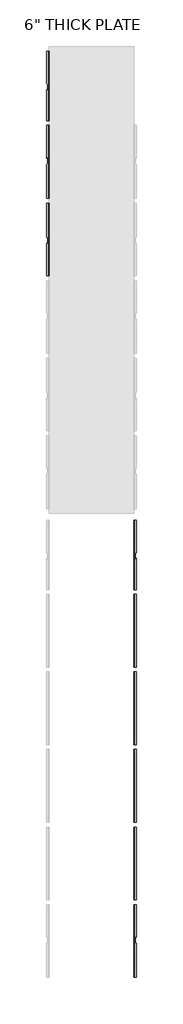
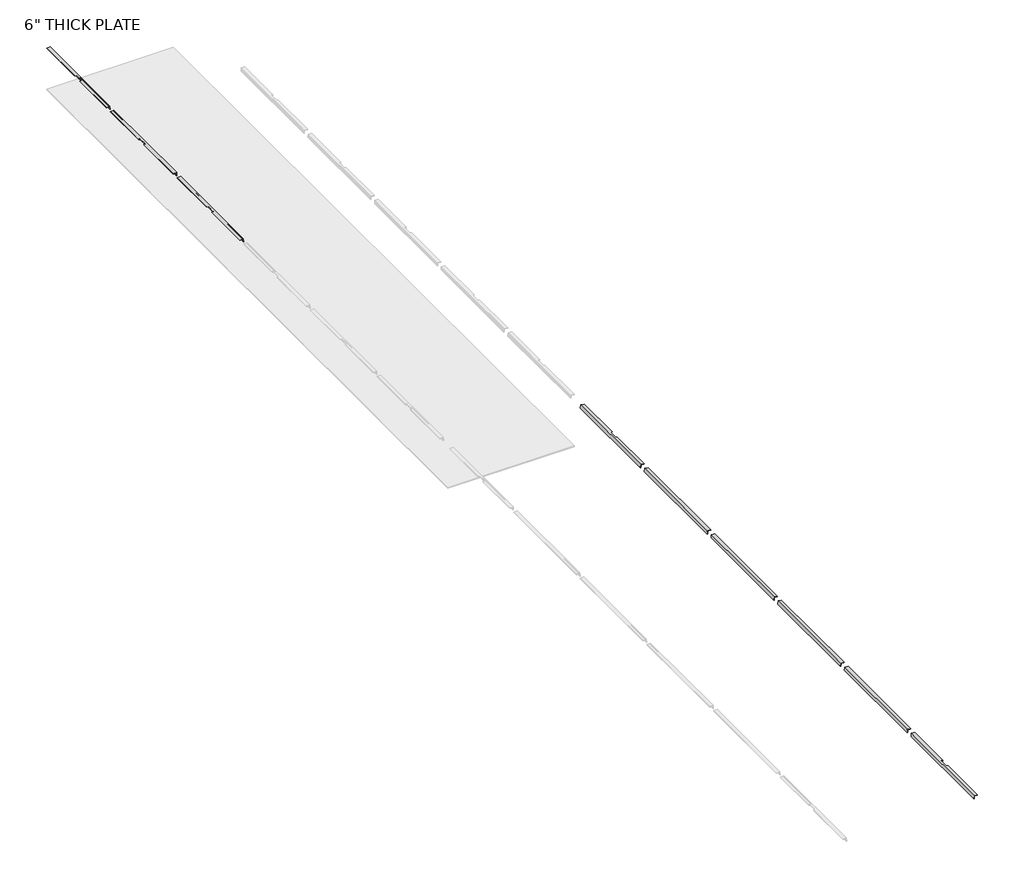
# One storey, part 2 of 3: 9 beams.
"""IFC4 building model written with IfcOpenShell, lengths in millimetres."""

import ifcopenshell
import ifcopenshell.guid

model = None  # the IFC model being written
_history = None  # IfcOwnerHistory: only IFC2X3 demands one
_inside = {}  # id of a spatial element -> (the spatial element, [elements in it])
_under = {}  # id of a project, library or spatial element -> (it, [spatial elements below it])
_declared = {}  # id of a project -> (the project, [libraries it declares])
_typed = {}  # id of a type object -> (the type object, [elements of that type])
_made_of = {}  # id of a material, layer set ... -> (it, [elements and type objects made of it])


def new_model(schema):
    """Start an empty IFC model of exactly this schema.

    Asked for "IFC4X3", IfcOpenShell would pick the latest addendum, in which some entities
    have other attributes; the version numbers below select the first issue.
    IFC2X3 requires an IfcOwnerHistory on every rooted entity: one is made here for all.
    """
    global model, _history
    if schema == "IFC4X3":
        model = ifcopenshell.file(schema_version=(4, 3, 0, 0))
    else:
        model = ifcopenshell.file(schema=schema)
    _inside.clear()
    _under.clear()
    _declared.clear()
    _typed.clear()
    _made_of.clear()
    _history = None
    if model.schema == "IFC2X3":
        org = make("IfcOrganization", Name="unknown")
        user = make(
            "IfcPersonAndOrganization",
            ThePerson=make("IfcPerson", FamilyName="unknown"),
            TheOrganization=org,
        )
        app = make(
            "IfcApplication",
            ApplicationDeveloper=org,
            Version="unknown",
            ApplicationFullName="unknown",
            ApplicationIdentifier="unknown",
        )
        _history = make(
            "IfcOwnerHistory",
            OwningUser=user,
            OwningApplication=app,
            ChangeAction="ADDED",
            CreationDate=0,
        )
    return model


def make(cls, **values):
    """One entity of the class cls with the attributes given. An attribute that is None is left unset."""
    return model.create_entity(
        cls, **{name: value for name, value in values.items() if value is not None}
    )


def rooted(cls, **values):
    """An entity with a GlobalId (a new one), such as an element, a storey or a relation."""
    return make(cls, GlobalId=ifcopenshell.guid.new(), OwnerHistory=_history, **values)


def si_unit(unit_type, name, prefix=None):
    """IfcSIUnit, for example si_unit("LENGTHUNIT", "METRE", prefix="MILLI")."""
    return make("IfcSIUnit", UnitType=unit_type, Prefix=prefix, Name=name)


def assignment(units):
    """IfcUnitAssignment: the units of a project."""
    return None if units is None else make("IfcUnitAssignment", Units=units)


def point(xyz):
    """IfcCartesianPoint."""
    return None if xyz is None else make("IfcCartesianPoint", Coordinates=xyz)


def direction(xyz):
    """IfcDirection."""
    return None if xyz is None else make("IfcDirection", DirectionRatios=xyz)


def frame(location, z_axis=None, x_axis=None):
    """IfcAxis2Placement3D, a coordinate frame: its origin and axes. An axis left out is left unset."""
    return make(
        "IfcAxis2Placement3D",
        Location=point(location),
        Axis=direction(z_axis),
        RefDirection=direction(x_axis),
    )


def frame_2d(location, x_axis=None):
    """IfcAxis2Placement2D, a coordinate frame in the plane: its origin and x axis."""
    return make(
        "IfcAxis2Placement2D", Location=point(location), RefDirection=direction(x_axis)
    )


def origin():
    """The frame at (0, 0, 0) with its axes left unset."""
    return frame((0.0, 0.0, 0.0))


def place(relative_to, where):
    """IfcLocalPlacement: puts the frame where relative to a parent placement (None: the world)."""
    return make(
        "IfcLocalPlacement", PlacementRelTo=relative_to, RelativePlacement=where
    )


def context(
    kind, dimensions, precision=None, world=None, true_north=None, identifier=None
):
    """IfcGeometricRepresentationContext, for example the 3D "Model" context."""
    return make(
        "IfcGeometricRepresentationContext",
        ContextIdentifier=identifier,
        ContextType=kind,
        CoordinateSpaceDimension=dimensions,
        Precision=precision,
        WorldCoordinateSystem=world,
        TrueNorth=true_north,
    )


def project(units=None, contexts=None):
    """IfcProject with its units and contexts."""
    return rooted(
        "IfcProject",
        Name="project",
        RepresentationContexts=contexts,
        UnitsInContext=assignment(units),
    )


def spatial(cls, under=None, at=None, **own):
    """A site, building, storey or space (cls), placed at a placement, below another one or the project."""
    s = rooted(cls, ObjectPlacement=at, **own)
    if under is not None:
        _under.setdefault(under.id(), (under, []))[1].append(s)
    return s


def polyline(points):
    """IfcPolyline through the points."""
    return make("IfcPolyline", Points=[point(p) for p in points])


def circle_curve(where, radius):
    """IfcCircle in the frame where."""
    return make("IfcCircle", Position=where, Radius=radius)


def ellipse_curve(where, semi_axis1, semi_axis2):
    """IfcEllipse in the frame where."""
    return make(
        "IfcEllipse", Position=where, SemiAxis1=semi_axis1, SemiAxis2=semi_axis2
    )


def trimmed(basis, trim1, trim2, sense, master):
    """IfcTrimmedCurve: the piece of a basis curve between two trims."""
    return make(
        "IfcTrimmedCurve",
        BasisCurve=basis,
        Trim1=trim1,
        Trim2=trim2,
        SenseAgreement=sense,
        MasterRepresentation=master,
    )


def segment(curve, same_sense, transition):
    """IfcCompositeCurveSegment."""
    return make(
        "IfcCompositeCurveSegment",
        Transition=transition,
        SameSense=same_sense,
        ParentCurve=curve,
    )


def composite_curve(segments, self_intersect=None):
    """IfcCompositeCurve: segments joined end to end."""
    return make("IfcCompositeCurve", Segments=segments, SelfIntersect=self_intersect)


def outline(outer, holes=None, kind="AREA"):
    """IfcArbitraryClosedProfileDef: a profile drawn as a closed curve; with holes, ...WithVoids."""
    if holes is None:
        return make("IfcArbitraryClosedProfileDef", ProfileType=kind, OuterCurve=outer)
    return make(
        "IfcArbitraryProfileDefWithVoids",
        ProfileType=kind,
        OuterCurve=outer,
        InnerCurves=holes,
    )


def extrude(swept, where, along, depth):
    """IfcExtrudedAreaSolid: the profile swept, set in the frame where, extruded along a direction by depth."""
    return make(
        "IfcExtrudedAreaSolid",
        SweptArea=swept,
        Position=where,
        ExtrudedDirection=direction(along),
        Depth=depth,
    )


def shape(context_of_items, identifier, shape_type, items):
    """IfcShapeRepresentation: the items that make up one representation, for example the "Body"."""
    return make(
        "IfcShapeRepresentation",
        ContextOfItems=context_of_items,
        RepresentationIdentifier=identifier,
        RepresentationType=shape_type,
        Items=items,
    )


def made_of(thing, what):
    """Note that an element or type object is made of a material, layer set ...; save() writes the relation."""
    if what is not None:
        _made_of.setdefault(what.id(), (what, []))[1].append(thing)
    return thing


def element(
    cls,
    number,
    at=None,
    inside=None,
    cuts=None,
    type_object=None,
    material=None,
    context=None,
    identifier="Body",
    shape_type=None,
    held_by="IfcProductDefinitionShape",
    body=None,
    shapes=None,
    **own,
):
    """One element of the class cls, such as IfcWall. Its Tag is "e" and its number.

    at: its placement. inside: the storey or other place that contains it. cuts: it is an
    opening in that element (IfcRelVoidsElement). A single representation is given by context,
    identifier, shape_type and body (its items); several are given by shapes. held_by: the class
    of the entity that holds the representations. save() writes the other relations.
    """
    e = rooted(cls, Tag="e%d" % number, ObjectPlacement=at, **own)
    if body is not None:
        shapes = [shape(context, identifier, shape_type, body)]
    if shapes is not None:
        e.Representation = make(held_by, Representations=shapes)
    if inside is not None:
        _inside.setdefault(inside.id(), (inside, []))[1].append(e)
    if cuts is not None:
        rooted(
            "IfcRelVoidsElement", RelatingBuildingElement=cuts, RelatedOpeningElement=e
        )
    if type_object is not None:
        _typed.setdefault(type_object.id(), (type_object, []))[1].append(e)
    return made_of(e, material)


def aggregate(whole, parts):
    """IfcRelAggregates: a whole, such as a stair, and the parts it consists of."""
    return rooted("IfcRelAggregates", RelatingObject=whole, RelatedObjects=parts)


def save(model, path):
    """Write the relations noted so far, then the file.

    IfcRelAggregates (storeys below a building ...), IfcRelContainedInSpatialStructure (elements
    in a storey), IfcRelDefinesByType, IfcRelAssociatesMaterial and IfcRelDeclares: one each for
    every whole, place, type object, material and project.
    """
    for whole, parts in _under.values():
        aggregate(whole, parts)
    for where, things in _inside.values():
        rooted(
            "IfcRelContainedInSpatialStructure",
            RelatedElements=things,
            RelatingStructure=where,
        )
    for kind, things in _typed.values():
        rooted("IfcRelDefinesByType", RelatedObjects=things, RelatingType=kind)
    for what, things in _made_of.values():
        rooted("IfcRelAssociatesMaterial", RelatedObjects=things, RelatingMaterial=what)
    for by, libraries in _declared.values():
        rooted("IfcRelDeclares", RelatingContext=by, RelatedDefinitions=libraries)
    model.write(path)


def plane_surface(at):
    """IfcPlane: the flat surface through the origin of the frame at, square to its z axis."""
    return make("IfcPlane", Position=at)


def cylinder_surface(at, radius):
    """IfcCylindricalSurface: all points at the distance radius from the z axis of the frame at."""
    return make("IfcCylindricalSurface", Position=at, Radius=radius)


def revolved_surface(curve, axis_point, axis_direction):
    """IfcSurfaceOfRevolution: the curve turned about the line through axis_point along axis_direction."""
    return make(
        "IfcSurfaceOfRevolution",
        SweptCurve=make("IfcArbitraryOpenProfileDef", ProfileType="CURVE", Curve=curve),
        AxisPosition=make("IfcAxis1Placement", Location=point(axis_point), Axis=direction(axis_direction)),
    )


def advanced_brep(points, edges, surfaces, faces):
    """IfcAdvancedBrep: a solid bounded by faces that lie on surfaces and meet in shared edges.

    An edge is (start, end): straight between two places in points (the first is 0);
    or (start, end, curve); or (start, end, curve, False) where it runs against its curve.
    A face is (place in surfaces, loops), or (place, loops, False) where it looks against
    its surface's normal. A loop lists edges by number (the first is 1), with a minus sign
    where the edge is run from its end to its start. The first loop is the outer one.
    """
    corners = [point(p) for p in points]
    vertices = [make("IfcVertexPoint", VertexGeometry=c) for c in corners]
    made = []
    for start, end, *more in edges:
        made.append(
            make(
                "IfcEdgeCurve",
                EdgeStart=vertices[start],
                EdgeEnd=vertices[end],
                EdgeGeometry=more[0] if more else make("IfcPolyline", Points=[corners[start], corners[end]]),
                SameSense=more[1] if len(more) > 1 else True,
            )
        )
    hull = []
    for where, loops, *sense in faces:
        bounds = []
        for j, loop in enumerate(loops):
            ring = [make("IfcOrientedEdge", EdgeElement=made[abs(k) - 1], Orientation=k > 0) for k in loop]
            bounds.append(
                make(
                    "IfcFaceOuterBound" if j == 0 else "IfcFaceBound",
                    Bound=make("IfcEdgeLoop", EdgeList=ring),
                    Orientation=True,
                )
            )
        hull.append(make("IfcAdvancedFace", Bounds=bounds, FaceSurface=surfaces[where], SameSense=sense[0] if sense else True))
    return make("IfcAdvancedBrep", Outer=make("IfcClosedShell", CfsFaces=hull))


model = new_model("IFC4")

# Units and contexts
model_context = context("Model", 3, world=origin())
ifc_project = project(units=[si_unit("LENGTHUNIT", "METRE", prefix="MILLI")], contexts=[model_context])

# Site, building, storey
site = spatial("IfcSite", under=ifc_project)
building = spatial("IfcBuilding", under=site)
storey = spatial("IfcBuildingStorey", under=building, Name="6\" THICK PLATE", Elevation=15389.0)

# Beams
placement = place(None, origin())
element("IfcBeam", 1, ObjectType="RSA-Rectangular Steel Angle : 50x50x6+RSA", at=placement, inside=storey, context=model_context, shape_type="AdvancedBrep", body=[
    advanced_brep(
    [(-922.6577871, 19172.4479556, 16113.6459647), (-972.467522, 19172.4479556, 16109.2881776), (-972.3193573, 19172.4479556, 16107.5946466), (-967.1192752, 19172.4479556, 16103.2312596), (-939.524682, 19172.4479556, 16105.6454737), (-927.6078272, 19172.4479556, 16095.6460452), (-925.1936131, 19172.4479556, 16068.051452), (-919.993531, 19172.4479556, 16063.688065), (-918.3, 19172.4479556, 16063.8362298), (-922.6577871, 20672.4479556, 16113.6459647), (-918.3, 20672.4479556, 16063.8362298), (-919.993531, 20672.4479556, 16063.688065), (-925.1936131, 20672.4479556, 16068.051452), (-927.6078272, 20672.4479556, 16095.6460452), (-939.524682, 20672.4479556, 16105.6454737), (-967.1192752, 20672.4479556, 16103.2312596), (-972.3193573, 20672.4479556, 16107.5946466), (-972.467522, 20672.4479556, 16109.2881776), (-967.1192752, 19846.7431512, 16103.2312596), (-960.0, 19846.0856679, 16103.8541155), (-950.0, 19859.7027064, 16104.7290021), (-950.0, 19961.4866557, 16104.7290021), (-960.0, 19976.9507456, 16103.8541155), (-967.1192752, 19977.6082289, 16103.2312596), (-972.3193573, 19973.0022609, 16107.5946466), (-972.467522, 19840.349501, 16109.2881776), (-972.3193573, 19842.1371832, 16107.5946466), (-972.467522, 19971.2145787, 16109.2881776), (-960.0, 19970.063171, 16110.3789444), (-950.0, 19954.5990812, 16111.2538311), (-950.0, 19852.8151319, 16111.2538311), (-960.0, 19839.1980933, 16110.3789444)],
    [
        (0, 1),
        (1, 2),
        (2, 3, circle_curve(frame((-967.5376227, 19172.4479556, 16108.0129942), z_axis=(0.0, -1.0, 0.0), x_axis=(0.08715574274765342, 0.0, -0.996194698091746)), 4.8)),
        (3, 4),
        (4, 5, circle_curve(frame((-938.5659689, 19172.4479556, 16094.687332), z_axis=(0.0, 1.0, 0.0), x_axis=(0.08715574274765342, 0.0, -0.996194698091746)), 11.0)),
        (5, 6),
        (6, 7, circle_curve(frame((-920.4118786, 19172.4479556, 16068.4697996), z_axis=(0.0, -1.0, 0.0), x_axis=(0.08715574274765342, 0.0, -0.996194698091746)), 4.8)),
        (7, 8),
        (8, 0),
        (9, 10),
        (10, 11),
        (11, 12, circle_curve(frame((-920.4118786, 20672.4479556, 16068.4697996), z_axis=(0.0, 1.0, 0.0), x_axis=(0.08715574274765342, 0.0, -0.996194698091746)), 4.8)),
        (12, 13),
        (13, 14, circle_curve(frame((-938.5659689, 20672.4479556, 16094.687332), z_axis=(0.0, -1.0, 0.0), x_axis=(0.08715574274765342, 0.0, -0.996194698091746)), 11.0)),
        (14, 15),
        (15, 16, circle_curve(frame((-967.5376227, 20672.4479556, 16108.0129942), z_axis=(0.0, 1.0, 0.0), x_axis=(0.08715574274765342, 0.0, -0.996194698091746)), 4.8)),
        (16, 17),
        (17, 9),
        (8, 10),
        (9, 0),
        (7, 11),
        (6, 12),
        (5, 13),
        (4, 14),
        (3, 18),
        (18, 19),
        (19, 20, ellipse_curve(frame((-960.0, 19860.6262321, 16103.8541155), z_axis=(-0.08715574274765342, 0.0, 0.996194698091746), x_axis=(-0.08197242224764964, 0.9966087945212705, -0.007171657668428947)), 14.5961068, 10.0)),
        (20, 21),
        (21, 22, ellipse_curve(frame((-960.0, 19962.4101814, 16103.8541155), z_axis=(-0.08715574274765342, 0.0, 0.996194698091746), x_axis=(-0.08197242224764964, 0.9966087945212705, -0.007171657668428947)), 14.5961068, 10.0)),
        (22, 23),
        (23, 15),
        (23, 24, ellipse_curve(frame((-967.5376227, 19972.5606555, 16108.0129942), z_axis=(0.0, 0.6877312236154661, 0.7259654014237689), x_axis=(0.0, -0.7259654014237688, 0.6877312236154662)), 6.9794708, 4.8)),
        (24, 16),
        (1, 25),
        (25, 26),
        (26, 2),
        (17, 27),
        (27, 28),
        (28, 29, ellipse_curve(frame((-960.0, 19955.5226068, 16110.3789444), z_axis=(0.08715574274765342, 0.0, -0.996194698091746), x_axis=(-0.08197242224764964, 0.9966087945212705, -0.007171657668428947)), 14.5961068, 10.0)),
        (29, 30),
        (30, 31, ellipse_curve(frame((-960.0, 19853.7386575, 16110.3789444), z_axis=(0.08715574274765342, 0.0, -0.996194698091746), x_axis=(-0.08197242224764964, 0.9966087945212705, -0.007171657668428947)), 14.5961068, 10.0)),
        (31, 25),
        (26, 18, ellipse_curve(frame((-967.5376227, 19841.6955778, 16108.0129942), z_axis=(0.0, -0.6877312236154661, -0.7259654014237689), x_axis=(0.0, -0.7259654014237688, 0.6877312236154662)), 6.9794708, 4.8)),
        (24, 27),
        (28, 22),
        (21, 29),
        (20, 30),
        (19, 31),
    ],
    [
        plane_surface(frame((-935.5661403, 19172.4479556, 16098.2623885), z_axis=(0.0, -1.0, 0.0), x_axis=(0.996194698091746, 0.0, 0.08715574274765342))),
        plane_surface(frame((-935.5661403, 20672.4479556, 16098.2623885), z_axis=(0.0, 1.0, 0.0), x_axis=(0.996194698091746, 0.0, 0.08715574274765342))),
        plane_surface(frame((-922.6577871, 19172.4479556, 16113.6459647), z_axis=(0.996194698091746, 0.0, 0.08715574274765342), x_axis=(0.0, 1.0, 0.0))),
        plane_surface(frame((-918.3, 19172.4479556, 16063.8362298), z_axis=(0.08715574274765342, 0.0, -0.996194698091746), x_axis=(0.0, 1.0, 0.0))),
        cylinder_surface(frame((-920.4118786, 19172.4479556, 16068.4697996), z_axis=(0.0, -1.0, 0.0), x_axis=(0.08715574274765342, 0.0, -0.996194698091746)), 4.8),
        plane_surface(frame((-925.1936131, 19172.4479556, 16068.051452), z_axis=(-0.996194698091746, 0.0, -0.08715574274765342), x_axis=(0.0, 1.0, 0.0))),
        revolved_surface(polyline([(-937.6072557297758, 20672.4479556, 16083.72919032099), (-937.6072557297758, 19172.4479556, 16083.72919032099)]), (-938.5659689, 19172.4479556, 16094.687332), (0.0, 1.0, 0.0)),
        plane_surface(frame((-939.524682, 19172.4479556, 16105.6454737), z_axis=(0.08715574274765342, 0.0, -0.996194698091746), x_axis=(0.0, 1.0, 0.0))),
        cylinder_surface(frame((-967.5376227, 19172.4479556, 16108.0129942), z_axis=(0.0, -1.0, 0.0), x_axis=(0.08715574274765342, 0.0, -0.996194698091746)), 4.8),
        plane_surface(frame((-972.3193573, 19172.4479556, 16107.5946466), z_axis=(-0.996194698091746, 0.0, -0.08715574274765342), x_axis=(0.0, 1.0, 0.0))),
        plane_surface(frame((-972.467522, 19172.4479556, 16109.2881776), z_axis=(-0.08715574274765342, 0.0, 0.996194698091746), x_axis=(0.0, 1.0, 0.0))),
        revolved_surface(polyline([(-950.0, 19970.128881402903, 16096.541933629984), (-950.0, 19947.803906782054, 16117.691126254134)]), (-960.0, 19946.5185485, 16118.908789), (0.0, 0.7259654014237689, -0.687731223615466)),
        plane_surface(frame((-950.0, 20805.1986696, 15305.4524876), z_axis=(-1.0, 0.0, 0.0), x_axis=(0.0, -0.7259654014237689, 0.6877312236154661))),
        revolved_surface(polyline([(-950.0, 19868.344932128068, 16096.541933656546), (-950.0, 19846.019957507215, 16117.6911262807)]), (-960.0, 19898.3773628, 16068.091211), (0.0, 0.7259654014237689, -0.687731223615466)),
        plane_surface(frame((-960.0, 20750.1801717, 15247.3752555), z_axis=(0.0, 0.6877312236154661, 0.7259654014237689), x_axis=(0.0, -0.7259654014237689, 0.6877312236154661))),
        plane_surface(frame((-990.0, 20812.0759818, 15312.7121417), z_axis=(0.0, -0.6877312236154661, -0.7259654014237689), x_axis=(0.0, -0.7259654014237689, 0.6877312236154661))),
    ],
    [
        (0, [[1, 2, 3, 4, 5, 6, 7, 8, 9]]),
        (1, [[10, 11, 12, 13, 14, 15, 16, 17, 18]]),
        (2, [[-9, 19, -10, 20]]),
        (3, [[-8, 21, -11, -19]]),
        (4, [[-7, 22, -12, -21]]),
        (5, [[-6, 23, -13, -22]]),
        (6, [[-5, 24, -14, -23]]),
        (7, [[-4, 25, 26, 27, 28, 29, 30, 31, -15, -24]]),
        (8, [[-16, -31, 32, 33]]),
        (9, [[-2, 34, 35, 36]]),
        (10, [[-1, -20, -18, 37, 38, 39, 40, 41, 42, -34]]),
        (8, [[-3, -36, 43, -25]]),
        (9, [[-17, -33, 44, -37]]),
        (11, [[45, -29, 46, -39]]),
        (12, [[-46, -28, 47, -40]]),
        (13, [[-47, -27, 48, -41]]),
        (14, [[-48, -26, -43, -35, -42]]),
        (15, [[-45, -38, -44, -32, -30]]),
    ],
),
])
element("IfcBeam", 2, ObjectType="RSA-Rectangular Steel Angle : 50x50x6+RSA", at=placement, inside=storey, context=model_context, shape_type="AdvancedBrep", body=[
    advanced_brep(
    [(-972.467522, 19072.4479556, 16109.2881776), (-922.6577871, 19072.4479556, 16113.6459647), (-918.3, 19072.4479556, 16063.8362298), (-919.993531, 19072.4479556, 16063.688065), (-925.1936131, 19072.4479556, 16068.051452), (-927.6078272, 19072.4479556, 16095.6460452), (-939.524682, 19072.4479556, 16105.6454737), (-967.1192752, 19072.4479556, 16103.2312596), (-972.3193573, 19072.4479556, 16107.5946466), (-918.3, 17502.4479556, 16063.8362298), (-922.6577871, 17502.4479556, 16113.6459647), (-972.467522, 17502.4479556, 16109.2881776), (-972.3193573, 17502.4479556, 16107.5946466), (-967.1192752, 17502.4479556, 16103.2312596), (-939.524682, 17502.4479556, 16105.6454737), (-927.6078272, 17502.4479556, 16095.6460452), (-925.1936131, 17502.4479556, 16068.051452), (-919.993531, 17502.4479556, 16063.688065), (-967.1192752, 18231.1404403, 16103.2312596), (-960.0, 18231.8286062, 16103.8541155), (-950.0, 18247.6972638, 16104.7290021), (-950.0, 18352.0115023, 16104.7290021), (-960.0, 18365.9469128, 16103.8541155), (-967.1192752, 18365.258747, 16103.2312596), (-972.3193573, 18370.0796601, 16107.5946466), (-972.467522, 18371.9507675, 16109.2881776), (-960.0, 18373.1559075, 16110.3789444), (-950.0, 18359.220497, 16111.2538311), (-950.0, 18254.9062584, 16111.2538311), (-960.0, 18239.0376008, 16110.3789444), (-972.467522, 18237.8324608, 16109.2881776), (-972.3193573, 18235.9613534, 16107.5946466)],
    [
        (0, 1),
        (1, 2),
        (2, 3),
        (3, 4, circle_curve(frame((-920.4118786, 19072.4479556, 16068.4697996), z_axis=(0.0, 1.0, 0.0), x_axis=(0.08715574274765342, 0.0, -0.996194698091746)), 4.8)),
        (4, 5),
        (5, 6, circle_curve(frame((-938.5659689, 19072.4479556, 16094.687332), z_axis=(0.0, -1.0, 0.0), x_axis=(0.08715574274765342, 0.0, -0.996194698091746)), 11.0)),
        (6, 7),
        (7, 8, circle_curve(frame((-967.5376227, 19072.4479556, 16108.0129942), z_axis=(0.0, 1.0, 0.0), x_axis=(0.08715574274765342, 0.0, -0.996194698091746)), 4.8)),
        (8, 0),
        (9, 10),
        (10, 11),
        (11, 12),
        (12, 13, circle_curve(frame((-967.5376227, 17502.4479556, 16108.0129942), z_axis=(0.0, -1.0, 0.0), x_axis=(0.08715574274765342, 0.0, -0.996194698091746)), 4.8)),
        (13, 14),
        (14, 15, circle_curve(frame((-938.5659689, 17502.4479556, 16094.687332), z_axis=(0.0, 1.0, 0.0), x_axis=(0.08715574274765342, 0.0, -0.996194698091746)), 11.0)),
        (15, 16),
        (16, 17, circle_curve(frame((-920.4118786, 17502.4479556, 16068.4697996), z_axis=(0.0, -1.0, 0.0), x_axis=(0.08715574274765342, 0.0, -0.996194698091746)), 4.8)),
        (17, 9),
        (1, 10),
        (9, 2),
        (17, 3),
        (16, 4),
        (15, 5),
        (14, 6),
        (13, 18),
        (18, 19),
        (19, 20, ellipse_curve(frame((-960.0, 18246.7306402, 16103.8541155), z_axis=(-0.08715574274765342, 0.0, 0.996194698091746), x_axis=(-0.07834072715653213, -0.9969030816351065, -0.006853925518573427)), 14.9589574, 10.0)),
        (20, 21),
        (21, 22, ellipse_curve(frame((-960.0, 18351.0448788, 16103.8541155), z_axis=(-0.08715574274765342, 0.0, 0.996194698091746), x_axis=(-0.07834072715653213, -0.9969030816351065, -0.006853925518573427)), 14.9589574, 10.0)),
        (22, 23),
        (23, 7),
        (23, 24, ellipse_curve(frame((-967.5376227, 18370.5418738, 16108.0129942), z_axis=(-2.47063469377615e-12, 0.6710493311825084, -0.7414127022917183), x_axis=(2.238276867017849e-12, 0.7414127022917183, 0.6710493311825084)), 7.1529764, 4.8)),
        (24, 8),
        (24, 25),
        (25, 0),
        (25, 26),
        (26, 27, ellipse_curve(frame((-960.0, 18358.2538734, 16110.3789444), z_axis=(0.08715574274765342, 0.0, -0.996194698091746), x_axis=(-0.07834072715653213, -0.9969030816351065, -0.006853925518573427)), 14.9589574, 10.0)),
        (27, 28),
        (28, 29, ellipse_curve(frame((-960.0, 18253.9396349, 16110.3789444), z_axis=(0.08715574274765342, 0.0, -0.996194698091746), x_axis=(-0.07834072715653213, -0.9969030816351065, -0.006853925518573427)), 14.9589574, 10.0)),
        (29, 30),
        (30, 11),
        (22, 26),
        (21, 27),
        (20, 28),
        (19, 29),
        (18, 31, ellipse_curve(frame((-967.5376227, 18236.4235671, 16108.0129942), z_axis=(-2.6210457584624914e-12, 0.6710493311825084, -0.7414127022917183), x_axis=(2.374413251042876e-12, 0.7414127022917183, 0.6710493311825084)), 7.1529764, 4.8)),
        (31, 30),
        (12, 31),
    ],
    [
        plane_surface(frame((-935.5661403, 19072.4479556, 16098.2623885), z_axis=(0.0, 1.0, 0.0), x_axis=(0.996194698091746, 0.0, 0.08715574274765342))),
        plane_surface(frame((-935.5661403, 17502.4479556, 16098.2623885), z_axis=(0.0, -1.0, 0.0), x_axis=(0.996194698091746, 0.0, 0.08715574274765342))),
        plane_surface(frame((-922.6577871, 19072.4479556, 16113.6459647), z_axis=(0.996194698091746, 0.0, 0.08715574274765342), x_axis=(0.0, -1.0, 0.0))),
        plane_surface(frame((-918.3, 19072.4479556, 16063.8362298), z_axis=(0.08715574274765342, 0.0, -0.996194698091746), x_axis=(0.0, -1.0, 0.0))),
        cylinder_surface(frame((-920.4118786, 19072.4479556, 16068.4697996), z_axis=(0.0, 1.0, 0.0), x_axis=(0.08715574274765342, 0.0, -0.996194698091746)), 4.8),
        plane_surface(frame((-925.1936131, 19072.4479556, 16068.051452), z_axis=(-0.996194698091746, 0.0, -0.08715574274765342), x_axis=(0.0, -1.0, 0.0))),
        revolved_surface(polyline([(-937.6072557297758, 17502.4479556, 16083.72919032099), (-937.6072557297758, 19072.4479556, 16083.72919032099)]), (-938.5659689, 19072.4479556, 16094.687332), (0.0, -1.0, 0.0)),
        plane_surface(frame((-939.524682, 19072.4479556, 16105.6454737), z_axis=(0.08715574274765342, 0.0, -0.996194698091746), x_axis=(0.0, -1.0, 0.0))),
        cylinder_surface(frame((-967.5376227, 19072.4479556, 16108.0129942), z_axis=(0.0, 1.0, 0.0), x_axis=(0.08715574274765342, 0.0, -0.996194698091746)), 4.8),
        plane_surface(frame((-972.3193573, 19072.4479556, 16107.5946466), z_axis=(-0.996194698091746, 0.0, -0.08715574274765342), x_axis=(0.0, -1.0, 0.0))),
        plane_surface(frame((-972.467522, 19072.4479556, 16109.2881776), z_axis=(-0.08715574274765342, 0.0, 0.996194698091746), x_axis=(0.0, -1.0, 0.0))),
        plane_surface(frame((-990.0, 17418.8933154, 15246.680127), z_axis=(2.47063469377615e-12, -0.6710493311825084, 0.7414127022917183), x_axis=(-2.797244772204705e-12, 0.7414127022917183, 0.6710493311825084))),
        revolved_surface(polyline([(-970.0000000001202, 18342.796503144975, 16096.388547478253), (-970.0000000002096, 18366.50224906231, 16117.844512413623)]), (-960.0, 18310.9346822, 16067.5505554), (2.7971957972745488e-12, -0.7414127022917183, -0.6710493311825081)),
        plane_surface(frame((-950.0, 17412.1828221, 15254.094254), z_axis=(-1.0, -3.773771759757499e-12, 0.0), x_axis=(-2.797244772204705e-12, 0.7414127022917183, 0.6710493311825084))),
        revolved_surface(polyline([(-969.9999999999038, 18238.48226454795, 16096.388547474962), (-969.9999999999933, 18262.188010520254, 16117.844512460086)]), (-960.0, 18263.961229, 16119.4494446), (2.7971957972745488e-12, -0.7414127022917183, -0.6710493311825081)),
        plane_surface(frame((-960.0, 17358.4988756, 15313.4072702), z_axis=(-2.6210457584624914e-12, 0.6710493311825084, -0.7414127022917183), x_axis=(-2.797244772204705e-12, 0.7414127022917183, 0.6710493311825084))),
    ],
    [
        (0, [[1, 2, 3, 4, 5, 6, 7, 8, 9]]),
        (1, [[10, 11, 12, 13, 14, 15, 16, 17, 18]]),
        (2, [[-2, 19, -10, 20]]),
        (3, [[-3, -20, -18, 21]]),
        (4, [[-4, -21, -17, 22]]),
        (5, [[-5, -22, -16, 23]]),
        (6, [[-6, -23, -15, 24]]),
        (7, [[-7, -24, -14, 25, 26, 27, 28, 29, 30, 31]]),
        (8, [[-8, -31, 32, 33]]),
        (9, [[-9, -33, 34, 35]]),
        (10, [[-1, -35, 36, 37, 38, 39, 40, 41, -11, -19]]),
        (11, [[42, -36, -34, -32, -30]]),
        (12, [[-42, -29, 43, -37]]),
        (13, [[-43, -28, 44, -38]]),
        (14, [[-44, -27, 45, -39]]),
        (15, [[-45, -26, 46, 47, -40]]),
        (8, [[-13, 48, -46, -25]]),
        (9, [[-12, -41, -47, -48]]),
    ],
),
])
element("IfcBeam", 3, ObjectType="RSA-Rectangular Steel Angle : 50x50x6+RSA", at=placement, inside=storey, context=model_context, shape_type="AdvancedBrep", body=[
    advanced_brep(
    [(-922.6577871, 15832.4479556, 16113.6459647), (-972.467522, 15832.4479556, 16109.2881776), (-972.3193573, 15832.4479556, 16107.5946466), (-967.1192752, 15832.4479556, 16103.2312596), (-939.524682, 15832.4479556, 16105.6454737), (-927.6078272, 15832.4479556, 16095.6460452), (-925.1936131, 15832.4479556, 16068.051452), (-919.993531, 15832.4479556, 16063.688065), (-918.3, 15832.4479556, 16063.8362298), (-922.6577871, 17402.4479556, 16113.6459647), (-918.3, 17402.4479556, 16063.8362298), (-919.993531, 17402.4479556, 16063.688065), (-925.1936131, 17402.4479556, 16068.051452), (-927.6078272, 17402.4479556, 16095.6460452), (-939.524682, 17402.4479556, 16105.6454737), (-967.1192752, 17402.4479556, 16103.2312596), (-972.3193573, 17402.4479556, 16107.5946466), (-972.467522, 17402.4479556, 16109.2881776), (-967.1192752, 16539.6371643, 16103.2312596), (-960.0, 16538.9489984, 16103.8541155), (-950.0, 16552.884409, 16104.7290021), (-950.0, 16657.1986475, 16104.7290021), (-960.0, 16673.0673051, 16103.8541155), (-967.1192752, 16673.755471, 16103.2312596), (-972.3193573, 16668.9345579, 16107.5946466), (-972.467522, 16532.9451437, 16109.2881776), (-972.3193573, 16534.8162512, 16107.5946466), (-972.467522, 16667.0634504, 16109.2881776), (-960.0, 16665.8583104, 16110.3789444), (-950.0, 16649.9896528, 16111.2538311), (-950.0, 16545.6754143, 16111.2538311), (-960.0, 16531.7400037, 16110.3789444)],
    [
        (0, 1),
        (1, 2),
        (2, 3, circle_curve(frame((-967.5376227, 15832.4479556, 16108.0129942), z_axis=(0.0, -1.0, 0.0), x_axis=(0.08715574274765342, 0.0, -0.996194698091746)), 4.8)),
        (3, 4),
        (4, 5, circle_curve(frame((-938.5659689, 15832.4479556, 16094.687332), z_axis=(0.0, 1.0, 0.0), x_axis=(0.08715574274765342, 0.0, -0.996194698091746)), 11.0)),
        (5, 6),
        (6, 7, circle_curve(frame((-920.4118786, 15832.4479556, 16068.4697996), z_axis=(0.0, -1.0, 0.0), x_axis=(0.08715574274765342, 0.0, -0.996194698091746)), 4.8)),
        (7, 8),
        (8, 0),
        (9, 10),
        (10, 11),
        (11, 12, circle_curve(frame((-920.4118786, 17402.4479556, 16068.4697996), z_axis=(0.0, 1.0, 0.0), x_axis=(0.08715574274765342, 0.0, -0.996194698091746)), 4.8)),
        (12, 13),
        (13, 14, circle_curve(frame((-938.5659689, 17402.4479556, 16094.687332), z_axis=(0.0, -1.0, 0.0), x_axis=(0.08715574274765342, 0.0, -0.996194698091746)), 11.0)),
        (14, 15),
        (15, 16, circle_curve(frame((-967.5376227, 17402.4479556, 16108.0129942), z_axis=(0.0, 1.0, 0.0), x_axis=(0.08715574274765342, 0.0, -0.996194698091746)), 4.8)),
        (16, 17),
        (17, 9),
        (8, 10),
        (9, 0),
        (7, 11),
        (6, 12),
        (5, 13),
        (4, 14),
        (3, 18),
        (18, 19),
        (19, 20, ellipse_curve(frame((-960.0, 16553.8510325, 16103.8541155), z_axis=(-0.08715574274765342, 0.0, 0.996194698091746), x_axis=(-0.07834072715653213, 0.9969030816351065, -0.006853925518573427)), 14.9589574, 10.0)),
        (20, 21),
        (21, 22, ellipse_curve(frame((-960.0, 16658.165271, 16103.8541155), z_axis=(-0.08715574274765342, 0.0, 0.996194698091746), x_axis=(-0.07834072715653213, 0.9969030816351065, -0.006853925518573427)), 14.9589574, 10.0)),
        (22, 23),
        (23, 15),
        (23, 24, ellipse_curve(frame((-967.5376227, 16668.4723442, 16108.0129942), z_axis=(2.417111264138364e-12, 0.671049331182508, 0.7414127022917187), x_axis=(2.189833049492181e-12, -0.7414127022917187, 0.671049331182508)), 7.1529764, 4.8)),
        (24, 16),
        (1, 25),
        (25, 26),
        (26, 2),
        (17, 27),
        (27, 28),
        (28, 29, ellipse_curve(frame((-960.0, 16650.9562764, 16110.3789444), z_axis=(0.08715574274765342, 0.0, -0.996194698091746), x_axis=(-0.07834072715653213, 0.9969030816351065, -0.006853925518573427)), 14.9589574, 10.0)),
        (29, 30),
        (30, 31, ellipse_curve(frame((-960.0, 16546.6420378, 16110.3789444), z_axis=(0.08715574274765342, 0.0, -0.996194698091746), x_axis=(-0.07834072715653213, 0.9969030816351065, -0.006853925518573427)), 14.9589574, 10.0)),
        (31, 25),
        (28, 22),
        (21, 29),
        (20, 30),
        (19, 31),
        (18, 26, ellipse_curve(frame((-967.5376227, 16534.3540375, 16108.0129942), z_axis=(2.5675223288261947e-12, 0.671049331182508, 0.7414127022917187), x_axis=(2.3259694335185557e-12, -0.7414127022917187, 0.671049331182508)), 7.1529764, 4.8)),
        (27, 24),
    ],
    [
        plane_surface(frame((-935.5661403, 15832.4479556, 16098.2623885), z_axis=(0.0, -1.0, 0.0), x_axis=(0.996194698091746, 0.0, 0.08715574274765342))),
        plane_surface(frame((-935.5661403, 17402.4479556, 16098.2623885), z_axis=(0.0, 1.0, 0.0), x_axis=(0.996194698091746, 0.0, 0.08715574274765342))),
        plane_surface(frame((-922.6577871, 15832.4479556, 16113.6459647), z_axis=(0.996194698091746, 0.0, 0.08715574274765342), x_axis=(0.0, 1.0, 0.0))),
        plane_surface(frame((-918.3, 15832.4479556, 16063.8362298), z_axis=(0.08715574274765342, 0.0, -0.996194698091746), x_axis=(0.0, 1.0, 0.0))),
        cylinder_surface(frame((-920.4118786, 15832.4479556, 16068.4697996), z_axis=(0.0, -1.0, 0.0), x_axis=(0.08715574274765342, 0.0, -0.996194698091746)), 4.8),
        plane_surface(frame((-925.1936131, 15832.4479556, 16068.051452), z_axis=(-0.996194698091746, 0.0, -0.08715574274765342), x_axis=(0.0, 1.0, 0.0))),
        revolved_surface(polyline([(-937.6072557297758, 17402.4479556, 16083.72919032099), (-937.6072557297758, 15832.4479556, 16083.72919032099)]), (-938.5659689, 15832.4479556, 16094.687332), (0.0, 1.0, 0.0)),
        plane_surface(frame((-939.524682, 15832.4479556, 16105.6454737), z_axis=(0.08715574274765342, 0.0, -0.996194698091746), x_axis=(0.0, 1.0, 0.0))),
        cylinder_surface(frame((-967.5376227, 15832.4479556, 16108.0129942), z_axis=(0.0, -1.0, 0.0), x_axis=(0.08715574274765342, 0.0, -0.996194698091746)), 4.8),
        plane_surface(frame((-972.3193573, 15832.4479556, 16107.5946466), z_axis=(-0.996194698091746, 0.0, -0.08715574274765342), x_axis=(0.0, 1.0, 0.0))),
        plane_surface(frame((-972.467522, 15832.4479556, 16109.2881776), z_axis=(-0.08715574274765342, 0.0, 0.996194698091746), x_axis=(0.0, 1.0, 0.0))),
        revolved_surface(polyline([(-949.9999999999038, 16666.413646651978, 16096.388547474962), (-949.9999999999933, 16642.707900734644, 16117.844512410333)]), (-960.0, 16640.9346822, 16119.4494446), (2.7971957972745488e-12, 0.7414127022917183, -0.6710493311825081)),
        plane_surface(frame((-950.0, 17539.6865423, 15305.9931432), z_axis=(-1.0, 3.773771759757577e-12, 0.0), x_axis=(-2.797244772204705e-12, -0.7414127022917183, 0.6710493311825084))),
        revolved_surface(polyline([(-950.0000000001202, 16562.099408109923, 16096.388547428502), (-950.0000000002096, 16538.39366213762, 16117.844512413623)]), (-960.0, 16593.961229, 16067.5505554), (2.7971957972745488e-12, 0.7414127022917183, -0.6710493311825081)),
        plane_surface(frame((-960.0, 17486.0025958, 15246.680127), z_axis=(2.5675223288261947e-12, 0.671049331182508, 0.7414127022917187), x_axis=(-2.7972447722047065e-12, -0.7414127022917187, 0.671049331182508))),
        plane_surface(frame((-990.0, 17546.3970356, 15313.4072702), z_axis=(-2.417111264138364e-12, -0.671049331182508, -0.7414127022917187), x_axis=(-2.7972447722047065e-12, -0.7414127022917187, 0.671049331182508))),
    ],
    [
        (0, [[1, 2, 3, 4, 5, 6, 7, 8, 9]]),
        (1, [[10, 11, 12, 13, 14, 15, 16, 17, 18]]),
        (2, [[-9, 19, -10, 20]]),
        (3, [[-8, 21, -11, -19]]),
        (4, [[-7, 22, -12, -21]]),
        (5, [[-6, 23, -13, -22]]),
        (6, [[-5, 24, -14, -23]]),
        (7, [[-4, 25, 26, 27, 28, 29, 30, 31, -15, -24]]),
        (8, [[-16, -31, 32, 33]]),
        (9, [[-2, 34, 35, 36]]),
        (10, [[-1, -20, -18, 37, 38, 39, 40, 41, 42, -34]]),
        (11, [[43, -29, 44, -39]]),
        (12, [[-44, -28, 45, -40]]),
        (13, [[-45, -27, 46, -41]]),
        (14, [[-46, -26, 47, -35, -42]]),
        (15, [[-43, -38, 48, -32, -30]]),
        (8, [[-3, -36, -47, -25]]),
        (9, [[-17, -33, -48, -37]]),
    ],
),
])
element("IfcBeam", 4, ObjectType="RSA-Rectangular Steel Angle : 50x50x6+RSA", at=placement, inside=storey, context=model_context, shape_type="AdvancedBrep", body=[
    advanced_brep(
    [(922.6577871, 9072.4479556, 16113.6459647), (918.3, 9072.4479556, 16063.8362298), (919.993531, 9072.4479556, 16063.688065), (925.1936131, 9072.4479556, 16068.051452), (927.6078272, 9072.4479556, 16095.6460452), (939.524682, 9072.4479556, 16105.6454737), (967.1192752, 9072.4479556, 16103.2312596), (972.3193573, 9072.4479556, 16107.5946466), (972.467522, 9072.4479556, 16109.2881776), (922.6577871, 10572.4479556, 16113.6459647), (972.467522, 10572.4479556, 16109.2881776), (972.3193573, 10572.4479556, 16107.5946466), (967.1192752, 10572.4479556, 16103.2312596), (939.524682, 10572.4479556, 16105.6454737), (927.6078272, 10572.4479556, 16095.6460452), (925.1936131, 10572.4479556, 16068.051452), (919.993531, 10572.4479556, 16063.688065), (918.3, 10572.4479556, 16063.8362298), (967.1192752, 9877.6082289, 16103.2312596), (960.0, 9876.9507456, 16103.8541155), (950.0, 9861.4866557, 16104.7290021), (950.0, 9759.7027064, 16104.7290021), (960.0, 9746.0856679, 16103.8541155), (967.1192752, 9746.7431512, 16103.2312596), (972.3193573, 9742.1371832, 16107.5946466), (972.467522, 9740.349501, 16109.2881776), (960.0, 9739.1980933, 16110.3789444), (950.0, 9752.8151319, 16111.2538311), (950.0, 9854.5990812, 16111.2538311), (960.0, 9870.063171, 16110.3789444), (972.467522, 9871.2145787, 16109.2881776), (972.3193573, 9873.0022609, 16107.5946466)],
    [
        (0, 1),
        (1, 2),
        (2, 3, circle_curve(frame((920.4118786, 9072.4479556, 16068.4697996), z_axis=(0.0, -1.0, 0.0), x_axis=(-0.08715574274765342, 0.0, -0.996194698091746)), 4.8)),
        (3, 4),
        (4, 5, circle_curve(frame((938.5659689, 9072.4479556, 16094.687332), z_axis=(0.0, 1.0, 0.0), x_axis=(-0.08715574274765342, 0.0, -0.996194698091746)), 11.0)),
        (5, 6),
        (6, 7, circle_curve(frame((967.5376227, 9072.4479556, 16108.0129942), z_axis=(0.0, -1.0, 0.0), x_axis=(-0.08715574274765342, 0.0, -0.996194698091746)), 4.8)),
        (7, 8),
        (8, 0),
        (9, 10),
        (10, 11),
        (11, 12, circle_curve(frame((967.5376227, 10572.4479556, 16108.0129942), z_axis=(0.0, 1.0, 0.0), x_axis=(-0.08715574274765342, 0.0, -0.996194698091746)), 4.8)),
        (12, 13),
        (13, 14, circle_curve(frame((938.5659689, 10572.4479556, 16094.687332), z_axis=(0.0, -1.0, 0.0), x_axis=(-0.08715574274765342, 0.0, -0.996194698091746)), 11.0)),
        (14, 15),
        (15, 16, circle_curve(frame((920.4118786, 10572.4479556, 16068.4697996), z_axis=(0.0, 1.0, 0.0), x_axis=(-0.08715574274765342, 0.0, -0.996194698091746)), 4.8)),
        (16, 17),
        (17, 9),
        (0, 9),
        (17, 1),
        (16, 2),
        (15, 3),
        (14, 4),
        (13, 5),
        (12, 18),
        (18, 19),
        (19, 20, ellipse_curve(frame((960.0, 9862.4101814, 16103.8541155), z_axis=(0.08715574274765342, 0.0, 0.996194698091746), x_axis=(0.08197242224764964, 0.9966087945212705, -0.007171657668428947)), 14.5961068, 10.0)),
        (20, 21),
        (21, 22, ellipse_curve(frame((960.0, 9760.6262321, 16103.8541155), z_axis=(0.08715574274765342, 0.0, 0.996194698091746), x_axis=(0.08197242224764964, 0.9966087945212705, -0.007171657668428947)), 14.5961068, 10.0)),
        (22, 23),
        (23, 6),
        (23, 24, ellipse_curve(frame((967.5376227, 9741.6955778, 16108.0129942), z_axis=(0.0, -0.6877312236154661, -0.7259654014237689), x_axis=(0.0, -0.7259654014237688, 0.6877312236154662)), 6.9794708, 4.8)),
        (24, 7),
        (24, 25),
        (25, 8),
        (25, 26),
        (26, 27, ellipse_curve(frame((960.0, 9753.7386575, 16110.3789444), z_axis=(-0.08715574274765342, 0.0, -0.996194698091746), x_axis=(0.08197242224764964, 0.9966087945212705, -0.007171657668428947)), 14.5961068, 10.0)),
        (27, 28),
        (28, 29, ellipse_curve(frame((960.0, 9855.5226068, 16110.3789444), z_axis=(-0.08715574274765342, 0.0, -0.996194698091746), x_axis=(0.08197242224764964, 0.9966087945212705, -0.007171657668428947)), 14.5961068, 10.0)),
        (29, 30),
        (30, 10),
        (11, 31),
        (31, 18, ellipse_curve(frame((967.5376227, 9872.5606555, 16108.0129942), z_axis=(0.0, 0.6877312236154661, 0.7259654014237689), x_axis=(0.0, -0.7259654014237688, 0.6877312236154662)), 6.9794708, 4.8)),
        (30, 31),
        (22, 26),
        (21, 27),
        (20, 28),
        (19, 29),
    ],
    [
        plane_surface(frame((935.5661403, 9072.4479556, 16098.2623885), z_axis=(0.0, -1.0, 0.0), x_axis=(-0.996194698091746, 0.0, 0.08715574274765342))),
        plane_surface(frame((935.5661403, 10572.4479556, 16098.2623885), z_axis=(0.0, 1.0, 0.0), x_axis=(-0.996194698091746, 0.0, 0.08715574274765342))),
        plane_surface(frame((922.6577871, 9072.4479556, 16113.6459647), z_axis=(-0.996194698091746, 0.0, 0.08715574274765342), x_axis=(0.0, 1.0, 0.0))),
        plane_surface(frame((918.3, 9072.4479556, 16063.8362298), z_axis=(-0.08715574274765342, 0.0, -0.996194698091746), x_axis=(0.0, 1.0, 0.0))),
        cylinder_surface(frame((920.4118786, 9072.4479556, 16068.4697996), z_axis=(0.0, -1.0, 0.0), x_axis=(-0.08715574274765342, 0.0, -0.996194698091746)), 4.8),
        plane_surface(frame((925.1936131, 9072.4479556, 16068.051452), z_axis=(0.996194698091746, 0.0, -0.08715574274765342), x_axis=(0.0, 1.0, 0.0))),
        revolved_surface(polyline([(937.6072557297758, 10572.4479556, 16083.72919032099), (937.6072557297758, 9072.4479556, 16083.72919032099)]), (938.5659689, 9072.4479556, 16094.687332), (0.0, 1.0, 0.0)),
        plane_surface(frame((939.524682, 9072.4479556, 16105.6454737), z_axis=(-0.08715574274765342, 0.0, -0.996194698091746), x_axis=(0.0, 1.0, 0.0))),
        cylinder_surface(frame((967.5376227, 9072.4479556, 16108.0129942), z_axis=(0.0, -1.0, 0.0), x_axis=(-0.08715574274765342, 0.0, -0.996194698091746)), 4.8),
        plane_surface(frame((972.3193573, 9072.4479556, 16107.5946466), z_axis=(0.996194698091746, 0.0, -0.08715574274765342), x_axis=(0.0, 1.0, 0.0))),
        plane_surface(frame((972.467522, 9072.4479556, 16109.2881776), z_axis=(0.08715574274765342, 0.0, 0.996194698091746), x_axis=(0.0, 1.0, 0.0))),
        plane_surface(frame((990.0, 10650.1801717, 15247.3752555), z_axis=(0.0, 0.6877312236154661, 0.7259654014237689), x_axis=(0.0, -0.7259654014237689, 0.6877312236154661))),
        revolved_surface(polyline([(970.0, 9768.344932128068, 16096.541933656546), (970.0, 9746.019957507217, 16117.691126280699)]), (960.0, 9798.3773628, 16068.091211), (0.0, 0.7259654014237689, -0.687731223615466)),
        plane_surface(frame((950.0, 10657.0574839, 15254.6349095), z_axis=(1.0000000000000002, 0.0, 0.0), x_axis=(0.0, -0.7259654014237691, 0.6877312236154659))),
        revolved_surface(polyline([(970.0, 9870.128881402903, 16096.541933629982), (970.0, 9847.803906782052, 16117.691126254136)]), (960.0, 9846.5185485, 16118.908789), (0.0, 0.7259654014237689, -0.687731223615466)),
        plane_surface(frame((960.0, 10712.0759818, 15312.7121417), z_axis=(0.0, -0.6877312236154661, -0.7259654014237689), x_axis=(0.0, -0.7259654014237689, 0.6877312236154661))),
    ],
    [
        (0, [[1, 2, 3, 4, 5, 6, 7, 8, 9]]),
        (1, [[10, 11, 12, 13, 14, 15, 16, 17, 18]]),
        (2, [[-1, 19, -18, 20]]),
        (3, [[-2, -20, -17, 21]]),
        (4, [[-3, -21, -16, 22]]),
        (5, [[-4, -22, -15, 23]]),
        (6, [[-5, -23, -14, 24]]),
        (7, [[-6, -24, -13, 25, 26, 27, 28, 29, 30, 31]]),
        (8, [[-7, -31, 32, 33]]),
        (9, [[-8, -33, 34, 35]]),
        (10, [[-9, -35, 36, 37, 38, 39, 40, 41, -10, -19]]),
        (8, [[-12, 42, 43, -25]]),
        (9, [[-11, -41, 44, -42]]),
        (11, [[45, -36, -34, -32, -30]]),
        (12, [[-45, -29, 46, -37]]),
        (13, [[-46, -28, 47, -38]]),
        (14, [[-47, -27, 48, -39]]),
        (15, [[-48, -26, -43, -44, -40]]),
    ],
),
])
element("IfcBeam", 5, ObjectType="RSA-Rectangular Steel Angle : 50x50x6+RSA", at=placement, inside=storey, context=model_context, shape_type="SweptSolid", body=[
    extrude(outline(composite_curve([segment(polyline([(16113.6459647, 922.6577871), (16063.8362298, 918.3), (16063.688065, 919.993531)]), True, "CONTINUOUS"), segment(trimmed(circle_curve(frame_2d((16068.4697996, 920.4118786)), 4.8), [point((16063.688065, 919.993531))], [point((16068.051452, 925.1936131))], False, "CARTESIAN"), True, "CONTINUOUS"), segment(polyline([(16068.051452, 925.1936131), (16095.6460452, 927.6078272)]), True, "CONTINUOUS"), segment(trimmed(circle_curve(frame_2d((16094.687332, 938.5659689)), 11.0), [point((16095.6460452, 927.6078272))], [point((16105.6454737, 939.524682))], True, "CARTESIAN"), True, "CONTINUOUS"), segment(polyline([(16105.6454737, 939.524682), (16103.2312596, 967.1192752)]), True, "CONTINUOUS"), segment(trimmed(circle_curve(frame_2d((16108.0129942, 967.5376227)), 4.8), [point((16103.2312596, 967.1192752))], [point((16107.5946466, 972.3193573))], False, "CARTESIAN"), True, "CONTINUOUS"), segment(polyline([(16107.5946466, 972.3193573), (16109.2881776, 972.467522), (16113.6459647, 922.6577871)]), True, "CONTINUOUS")], self_intersect=False)), frame((0.0, 7402.4479556, 0.0), z_axis=(0.0, 1.0, 0.0), x_axis=(0.0, 0.0, 1.0)), (0.0, 0.0, 1.0), 1570.0),
])
element("IfcBeam", 6, ObjectType="RSA-Rectangular Steel Angle : 50x50x6+RSA", at=placement, inside=storey, context=model_context, shape_type="SweptSolid", body=[
    extrude(outline(composite_curve([segment(polyline([(16113.6459647, 922.6577871), (16063.8362298, 918.3), (16063.688065, 919.993531)]), True, "CONTINUOUS"), segment(trimmed(circle_curve(frame_2d((16068.4697996, 920.4118786)), 4.8), [point((16063.688065, 919.993531))], [point((16068.051452, 925.1936131))], False, "CARTESIAN"), True, "CONTINUOUS"), segment(polyline([(16068.051452, 925.1936131), (16095.6460452, 927.6078272)]), True, "CONTINUOUS"), segment(trimmed(circle_curve(frame_2d((16094.687332, 938.5659689)), 11.0), [point((16095.6460452, 927.6078272))], [point((16105.6454737, 939.524682))], True, "CARTESIAN"), True, "CONTINUOUS"), segment(polyline([(16105.6454737, 939.524682), (16103.2312596, 967.1192752)]), True, "CONTINUOUS"), segment(trimmed(circle_curve(frame_2d((16108.0129942, 967.5376227)), 4.8), [point((16103.2312596, 967.1192752))], [point((16107.5946466, 972.3193573))], False, "CARTESIAN"), True, "CONTINUOUS"), segment(polyline([(16107.5946466, 972.3193573), (16109.2881776, 972.467522), (16113.6459647, 922.6577871)]), True, "CONTINUOUS")], self_intersect=False)), frame((0.0, 5732.4479556, 0.0), z_axis=(0.0, 1.0, 0.0), x_axis=(0.0, 0.0, 1.0)), (0.0, 0.0, 1.0), 1570.0),
])
element("IfcBeam", 7, ObjectType="RSA-Rectangular Steel Angle : 50x50x6+RSA", at=placement, inside=storey, context=model_context, shape_type="SweptSolid", body=[
    extrude(outline(composite_curve([segment(polyline([(16113.6459647, 922.6577871), (16063.8362298, 918.3), (16063.688065, 919.993531)]), True, "CONTINUOUS"), segment(trimmed(circle_curve(frame_2d((16068.4697996, 920.4118786)), 4.8), [point((16063.688065, 919.993531))], [point((16068.051452, 925.1936131))], False, "CARTESIAN"), True, "CONTINUOUS"), segment(polyline([(16068.051452, 925.1936131), (16095.6460452, 927.6078272)]), True, "CONTINUOUS"), segment(trimmed(circle_curve(frame_2d((16094.687332, 938.5659689)), 11.0), [point((16095.6460452, 927.6078272))], [point((16105.6454737, 939.524682))], True, "CARTESIAN"), True, "CONTINUOUS"), segment(polyline([(16105.6454737, 939.524682), (16103.2312596, 967.1192752)]), True, "CONTINUOUS"), segment(trimmed(circle_curve(frame_2d((16108.0129942, 967.5376227)), 4.8), [point((16103.2312596, 967.1192752))], [point((16107.5946466, 972.3193573))], False, "CARTESIAN"), True, "CONTINUOUS"), segment(polyline([(16107.5946466, 972.3193573), (16109.2881776, 972.467522), (16113.6459647, 922.6577871)]), True, "CONTINUOUS")], self_intersect=False)), frame((0.0, 4062.4479556, 0.0), z_axis=(0.0, 1.0, 0.0), x_axis=(0.0, 0.0, 1.0)), (0.0, 0.0, 1.0), 1570.0),
])
element("IfcBeam", 8, ObjectType="RSA-Rectangular Steel Angle : 50x50x6+RSA", at=placement, inside=storey, context=model_context, shape_type="SweptSolid", body=[
    extrude(outline(composite_curve([segment(polyline([(16113.6459647, 922.6577871), (16063.8362298, 918.3), (16063.688065, 919.993531)]), True, "CONTINUOUS"), segment(trimmed(circle_curve(frame_2d((16068.4697996, 920.4118786)), 4.8), [point((16063.688065, 919.993531))], [point((16068.051452, 925.1936131))], False, "CARTESIAN"), True, "CONTINUOUS"), segment(polyline([(16068.051452, 925.1936131), (16095.6460452, 927.6078272)]), True, "CONTINUOUS"), segment(trimmed(circle_curve(frame_2d((16094.687332, 938.5659689)), 11.0), [point((16095.6460452, 927.6078272))], [point((16105.6454737, 939.524682))], True, "CARTESIAN"), True, "CONTINUOUS"), segment(polyline([(16105.6454737, 939.524682), (16103.2312596, 967.1192752)]), True, "CONTINUOUS"), segment(trimmed(circle_curve(frame_2d((16108.0129942, 967.5376227)), 4.8), [point((16103.2312596, 967.1192752))], [point((16107.5946466, 972.3193573))], False, "CARTESIAN"), True, "CONTINUOUS"), segment(polyline([(16107.5946466, 972.3193573), (16109.2881776, 972.467522), (16113.6459647, 922.6577871)]), True, "CONTINUOUS")], self_intersect=False)), frame((0.0, 2392.4479556, 0.0), z_axis=(0.0, 1.0, 0.0), x_axis=(0.0, 0.0, 1.0)), (0.0, 0.0, 1.0), 1570.0),
])
element("IfcBeam", 9, ObjectType="RSA-Rectangular Steel Angle : 50x50x6+RSA", at=placement, inside=storey, context=model_context, shape_type="AdvancedBrep", body=[
    advanced_brep(
    [(922.6577871, 2292.4479556, 16113.6459647), (972.467522, 2292.4479556, 16109.2881776), (972.3193573, 2292.4479556, 16107.5946466), (967.1192752, 2292.4479556, 16103.2312596), (939.524682, 2292.4479556, 16105.6454737), (927.6078272, 2292.4479556, 16095.6460452), (925.1936131, 2292.4479556, 16068.051452), (919.993531, 2292.4479556, 16063.688065), (918.3, 2292.4479556, 16063.8362298), (922.6577871, 722.4479556, 16113.6459647), (918.3, 722.4479556, 16063.8362298), (919.993531, 722.4479556, 16063.688065), (925.1936131, 722.4479556, 16068.051452), (927.6078272, 722.4479556, 16095.6460452), (939.524682, 722.4479556, 16105.6454737), (967.1192752, 722.4479556, 16103.2312596), (972.3193573, 722.4479556, 16107.5946466), (972.467522, 722.4479556, 16109.2881776), (967.1192752, 1585.258747, 16103.2312596), (960.0, 1585.9469128, 16103.8541155), (950.0, 1572.0115023, 16104.7290021), (950.0, 1467.6972638, 16104.7290021), (960.0, 1451.8286062, 16103.8541155), (967.1192752, 1451.1404403, 16103.2312596), (972.3193573, 1455.9613534, 16107.5946466), (972.467522, 1591.9507675, 16109.2881776), (972.3193573, 1590.0796601, 16107.5946466), (972.467522, 1457.8324608, 16109.2881776), (960.0, 1459.0376008, 16110.3789444), (950.0, 1474.9062584, 16111.2538311), (950.0, 1579.220497, 16111.2538311), (960.0, 1593.1559075, 16110.3789444)],
    [
        (0, 1),
        (1, 2),
        (2, 3, circle_curve(frame((967.5376227, 2292.4479556, 16108.0129942), z_axis=(0.0, 1.0, 0.0), x_axis=(-0.08715574274765342, 0.0, -0.996194698091746)), 4.8)),
        (3, 4),
        (4, 5, circle_curve(frame((938.5659689, 2292.4479556, 16094.687332), z_axis=(0.0, -1.0, 0.0), x_axis=(-0.08715574274765342, 0.0, -0.996194698091746)), 11.0)),
        (5, 6),
        (6, 7, circle_curve(frame((920.4118786, 2292.4479556, 16068.4697996), z_axis=(0.0, 1.0, 0.0), x_axis=(-0.08715574274765342, 0.0, -0.996194698091746)), 4.8)),
        (7, 8),
        (8, 0),
        (9, 10),
        (10, 11),
        (11, 12, circle_curve(frame((920.4118786, 722.4479556, 16068.4697996), z_axis=(0.0, -1.0, 0.0), x_axis=(-0.08715574274765342, 0.0, -0.996194698091746)), 4.8)),
        (12, 13),
        (13, 14, circle_curve(frame((938.5659689, 722.4479556, 16094.687332), z_axis=(0.0, 1.0, 0.0), x_axis=(-0.08715574274765342, 0.0, -0.996194698091746)), 11.0)),
        (14, 15),
        (15, 16, circle_curve(frame((967.5376227, 722.4479556, 16108.0129942), z_axis=(0.0, -1.0, 0.0), x_axis=(-0.08715574274765342, 0.0, -0.996194698091746)), 4.8)),
        (16, 17),
        (17, 9),
        (8, 10),
        (9, 0),
        (7, 11),
        (6, 12),
        (5, 13),
        (4, 14),
        (3, 18),
        (18, 19),
        (19, 20, ellipse_curve(frame((960.0, 1571.0448788, 16103.8541155), z_axis=(0.08715574274765342, 0.0, 0.996194698091746), x_axis=(0.0783407271565424, -0.9969030816351055, -0.006853925518574386)), 14.9589574, 10.0)),
        (20, 21),
        (21, 22, ellipse_curve(frame((960.0, 1466.7306402, 16103.8541155), z_axis=(0.08715574274765342, 0.0, 0.996194698091746), x_axis=(0.0783407271565424, -0.9969030816351055, -0.006853925518574386)), 14.9589574, 10.0)),
        (22, 23),
        (23, 15),
        (23, 24, ellipse_curve(frame((967.5376227, 1456.4235671, 16108.0129942), z_axis=(-2.5311894656817845e-12, -0.6710493311825315, 0.7414127022916974), x_axis=(-2.293084721080354e-12, 0.7414127022916975, 0.6710493311825315)), 7.1529764, 4.8)),
        (24, 16),
        (1, 25),
        (25, 26),
        (26, 2),
        (17, 27),
        (27, 28),
        (28, 29, ellipse_curve(frame((960.0, 1473.9396349, 16110.3789444), z_axis=(-0.08715574274765342, 0.0, -0.996194698091746), x_axis=(0.0783407271565424, -0.9969030816351055, -0.006853925518574386)), 14.9589574, 10.0)),
        (29, 30),
        (30, 31, ellipse_curve(frame((960.0, 1578.2538734, 16110.3789444), z_axis=(-0.08715574274765342, 0.0, -0.996194698091746), x_axis=(0.0783407271565424, -0.9969030816351055, -0.006853925518574386)), 14.9589574, 10.0)),
        (31, 25),
        (28, 22),
        (21, 29),
        (20, 30),
        (19, 31),
        (18, 26, ellipse_curve(frame((967.5376227, 1590.5418738, 16108.0129942), z_axis=(-2.5251339884918886e-12, -0.6710493311825316, 0.7414127022916973), x_axis=(-2.287603935674722e-12, 0.7414127022916974, 0.6710493311825316)), 7.1529764, 4.8)),
        (27, 24),
    ],
    [
        plane_surface(frame((935.5661403, 2292.4479556, 16098.2623885), z_axis=(0.0, 1.0, 0.0), x_axis=(-0.996194698091746, 0.0, 0.08715574274765342))),
        plane_surface(frame((935.5661403, 722.4479556, 16098.2623885), z_axis=(0.0, -1.0, 0.0), x_axis=(-0.996194698091746, 0.0, 0.08715574274765342))),
        plane_surface(frame((922.6577871, 2292.4479556, 16113.6459647), z_axis=(-0.996194698091746, 0.0, 0.08715574274765342), x_axis=(0.0, -1.0, 0.0))),
        plane_surface(frame((918.3, 2292.4479556, 16063.8362298), z_axis=(-0.08715574274765342, 0.0, -0.996194698091746), x_axis=(0.0, -1.0, 0.0))),
        cylinder_surface(frame((920.4118786, 2292.4479556, 16068.4697996), z_axis=(0.0, 1.0, 0.0), x_axis=(-0.08715574274765342, 0.0, -0.996194698091746)), 4.8),
        plane_surface(frame((925.1936131, 2292.4479556, 16068.051452), z_axis=(0.996194698091746, 0.0, -0.08715574274765342), x_axis=(0.0, -1.0, 0.0))),
        revolved_surface(polyline([(937.6072557297758, 722.4479556000001, 16083.72919032099), (937.6072557297758, 2292.4479556, 16083.72919032099)]), (938.5659689, 2292.4479556, 16094.687332), (0.0, -1.0, 0.0)),
        plane_surface(frame((939.524682, 2292.4479556, 16105.6454737), z_axis=(-0.08715574274765342, 0.0, -0.996194698091746), x_axis=(0.0, -1.0, 0.0))),
        cylinder_surface(frame((967.5376227, 2292.4479556, 16108.0129942), z_axis=(0.0, 1.0, 0.0), x_axis=(-0.08715574274765342, 0.0, -0.996194698091746)), 4.8),
        plane_surface(frame((972.3193573, 2292.4479556, 16107.5946466), z_axis=(0.996194698091746, 0.0, -0.08715574274765342), x_axis=(0.0, -1.0, 0.0))),
        plane_surface(frame((972.467522, 2292.4479556, 16109.2881776), z_axis=(0.08715574274765342, 0.0, 0.996194698091746), x_axis=(0.0, -1.0, 0.0))),
        revolved_surface(polyline([(949.999999999904, 1458.4822645480267, 16096.388547474962), (949.9999999999933, 1482.1880105203277, 16117.844512460084)]), (960.0, 1483.961229, 16119.4494446), (-2.7936162048467107e-12, -0.7414127022916945, -0.6710493311825344)),
        plane_surface(frame((950.0, 585.2093689, 15305.9931432), z_axis=(1.0, -3.7737177602529684e-12, 0.0), x_axis=(2.7936715881916727e-12, 0.7414127022916974, 0.6710493311825315))),
        revolved_surface(polyline([(950.00000000012, 1562.7965031450467, 16096.388547478255), (950.0000000002094, 1586.5022490623783, 16117.844512413625)]), (960.0, 1530.9346822, 16067.5505554), (-2.7936162048467107e-12, -0.7414127022916945, -0.6710493311825344)),
        plane_surface(frame((960.0, 638.8933154, 15246.680127), z_axis=(-2.5251339884918886e-12, -0.6710493311825316, 0.7414127022916973), x_axis=(2.7936715881916727e-12, 0.7414127022916973, 0.6710493311825316))),
        plane_surface(frame((990.0, 578.4988756, 15313.4072702), z_axis=(2.5311894656817845e-12, 0.6710493311825315, -0.7414127022916974), x_axis=(2.7936715881916727e-12, 0.7414127022916974, 0.6710493311825315))),
    ],
    [
        (0, [[1, 2, 3, 4, 5, 6, 7, 8, 9]]),
        (1, [[10, 11, 12, 13, 14, 15, 16, 17, 18]]),
        (2, [[-9, 19, -10, 20]]),
        (3, [[-8, 21, -11, -19]]),
        (4, [[-7, 22, -12, -21]]),
        (5, [[-6, 23, -13, -22]]),
        (6, [[-5, 24, -14, -23]]),
        (7, [[-4, 25, 26, 27, 28, 29, 30, 31, -15, -24]]),
        (8, [[-16, -31, 32, 33]]),
        (9, [[-2, 34, 35, 36]]),
        (10, [[-1, -20, -18, 37, 38, 39, 40, 41, 42, -34]]),
        (11, [[43, -29, 44, -39]]),
        (12, [[-44, -28, 45, -40]]),
        (13, [[-45, -27, 46, -41]]),
        (14, [[-46, -26, 47, -35, -42]]),
        (15, [[-43, -38, 48, -32, -30]]),
        (8, [[-3, -36, -47, -25]]),
        (9, [[-17, -33, -48, -37]]),
    ],
),
])

save(model, "model.ifc")
